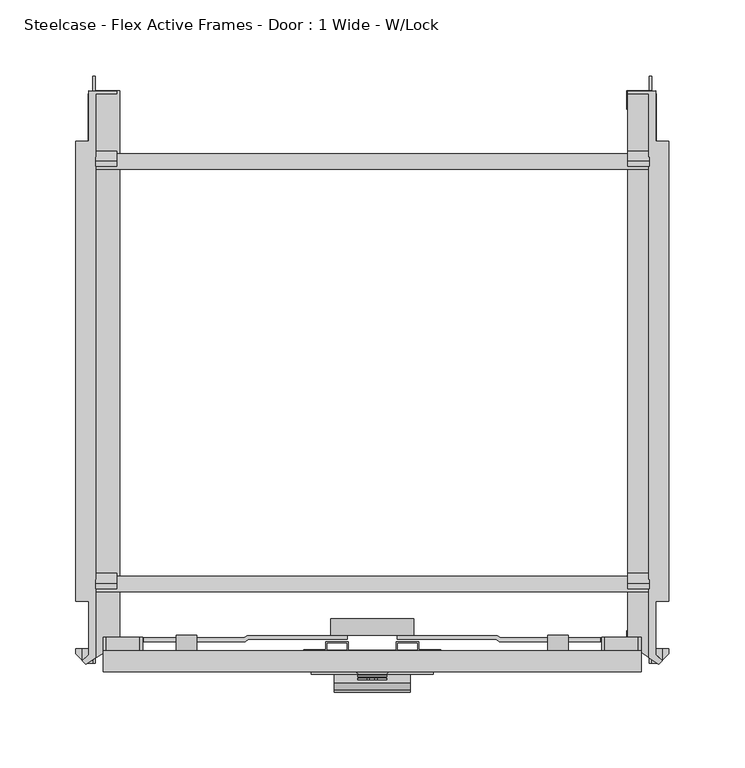
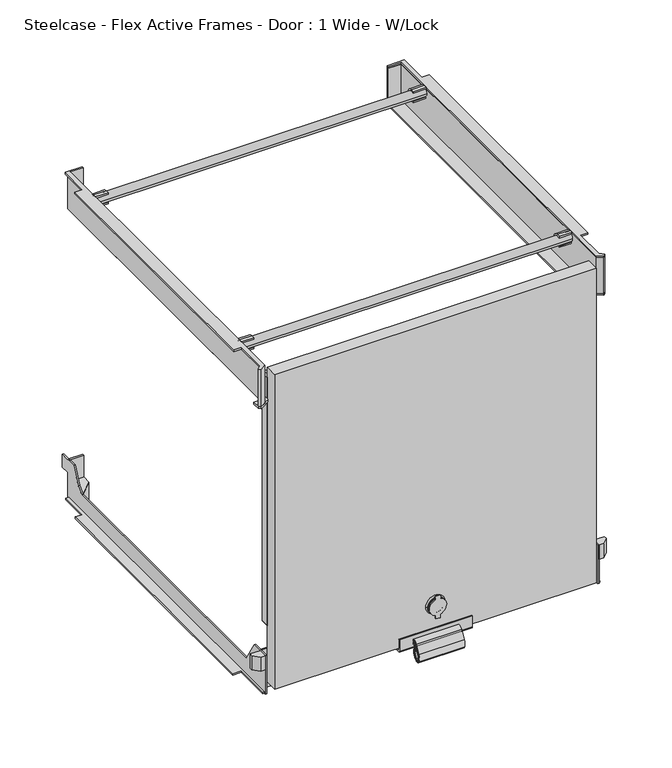
"""IFC4 building model written with IfcOpenShell, lengths in millimetres: furniture geometry, Steelcase - Flex Active Frames - Door : 1 Wide - W/Lock."""

from ifc_helpers import new_model, si_unit, point, frame, frame_2d, origin, place, context, project, spatial, polyline, circle_curve, trimmed, segment, composite_curve, outline, extrude, faceted_brep, source, transform, mapped, element, save
from ifc_brep_helpers import plane_surface, cylinder_surface, revolved_surface, advanced_brep


def steelcase_flex_active_frames_door_1_wide_w_lock_29fdb5b3(model_context):
    return source(origin(), model_context, "Body", "SolidModel", [
        extrude(outline(polyline([(377.0120167, -373.0157005), (377.0120167, -1.9704708), (363.0100613, -1.9704708), (363.0100613, -0.2946526), (379.0003159, -0.0162739), (379.0003159, -368.4618531), (385.7871593, -375.2153725), (383.4640363, -377.5448751), (377.0120167, -373.0157005)])), frame((0.0, 0.0, 345.9048069), z_axis=(0.0, 0.0, 1.0), x_axis=(1.0, 0.0, 0.0)), (0.0, 0.0, 1.0), 41.5000832),
        advanced_brep(
        [(204.5647181, -386.5060322, 53.4049524), (204.5647181, -387.4990083, 53.4049524), (197.2977717, -387.4990083, 44.1242374), (197.2977717, -386.5060322, 44.1242374), (185.4452456, -387.4990083, 53.4049524), (185.4452456, -386.5060322, 53.4049524), (192.7121919, -386.5060322, 44.1242374), (192.7121919, -387.4990083, 44.1242374), (197.9721385, -386.5060322, 62.492556), (197.9721385, -387.4990083, 62.492556), (192.0378251, -387.4990083, 62.492556), (192.0378251, -386.5060322, 62.492556), (186.5946609, -385.7012029, 53.4049524), (203.4153027, -385.7012029, 53.4049524), (185.526757, -385.7012029, 53.4049524), (204.4832066, -385.7012029, 53.4049524), (185.526757, -384.715218, 53.4049524), (204.4832066, -384.715218, 53.4049524), (187.4206526, -384.0258963, 53.4049524), (202.589311, -384.0258963, 53.4049524), (185.9463468, -384.0258963, 53.4049524), (204.0636169, -384.0258963, 53.4049524), (184.4465879, -382.5261375, 53.4049524), (205.5633757, -382.5261375, 53.4049524), (195.0049818, -382.5261375, 53.4049524), (198.1852988, -387.4990083, 62.6110523), (198.1852988, -387.4990083, 64.5755991), (196.6612988, -387.4990083, 66.0995991), (193.3486648, -387.4990083, 66.0995991), (191.8246648, -387.4990083, 64.5755991), (191.8246648, -387.4990083, 62.6110523), (192.6380738, -387.4990083, 43.8269662), (192.6380738, -387.4990083, 40.0258754), (197.3718898, -387.4990083, 40.0258754), (197.3718898, -387.4990083, 43.8269662), (191.8246648, -386.5060322, 62.6110523), (191.8246648, -386.5060322, 64.5755991), (193.3486648, -386.5060322, 66.0995991), (196.6612988, -386.5060322, 66.0995991), (198.1852988, -386.5060322, 64.5755991), (198.1852988, -386.5060322, 62.6110523), (197.3718898, -386.5060322, 43.8269662), (197.3718898, -386.5060322, 40.0258754), (192.6380738, -386.5060322, 40.0258754), (192.6380738, -386.5060322, 43.8269662)],
        [
            (0, 1),
            (1, 2, circle_curve(frame((195.0049818, -387.4990083, 53.4049524), z_axis=(0.0, 1.0, 0.0), x_axis=(1.0, 0.0, 0.0)), 9.5597363)),
            (2, 3),
            (3, 0, circle_curve(frame((195.0049818, -386.5060322, 53.4049524), z_axis=(0.0, -1.0, 0.0), x_axis=(1.0, 0.0, 0.0)), 9.5597363)),
            (4, 5),
            (5, 6, circle_curve(frame((195.0049818, -386.5060322, 53.4049524), z_axis=(0.0, -1.0, 0.0), x_axis=(1.0, 0.0, 0.0)), 9.5597363)),
            (6, 7),
            (7, 4, circle_curve(frame((195.0049818, -387.4990083, 53.4049524), z_axis=(0.0, 1.0, 0.0), x_axis=(1.0, 0.0, 0.0)), 9.5597363)),
            (0, 8, circle_curve(frame((195.0049818, -386.5060322, 53.4049524), z_axis=(0.0, -1.0, 0.0), x_axis=(1.0, 0.0, 0.0)), 9.5597363)),
            (8, 9),
            (9, 1, circle_curve(frame((195.0049818, -387.4990083, 53.4049524), z_axis=(0.0, 1.0, 0.0), x_axis=(1.0, 0.0, 0.0)), 9.5597363)),
            (4, 10, circle_curve(frame((195.0049818, -387.4990083, 53.4049524), z_axis=(0.0, 1.0, 0.0), x_axis=(1.0, 0.0, 0.0)), 9.5597363)),
            (10, 11),
            (11, 5, circle_curve(frame((195.0049818, -386.5060322, 53.4049524), z_axis=(0.0, -1.0, 0.0), x_axis=(1.0, 0.0, 0.0)), 9.5597363)),
            (12, 13, circle_curve(frame((195.0049818, -385.7012029, 53.4049524), z_axis=(0.0, -1.0, 0.0), x_axis=(1.0, 0.0, 0.0)), 8.4103209)),
            (13, 0),
            (3, 6, circle_curve(frame((195.0049818, -386.5060322, 53.4049524), z_axis=(0.0, 1.0, 0.0), x_axis=(1.0, 0.0, 0.0)), 9.5597363)),
            (5, 12),
            (13, 12, circle_curve(frame((195.0049818, -385.7012029, 53.4049524), z_axis=(0.0, -1.0, 0.0), x_axis=(1.0, 0.0, 0.0)), 8.4103209)),
            (11, 8, circle_curve(frame((195.0049818, -386.5060322, 53.4049524), z_axis=(0.0, 1.0, 0.0), x_axis=(1.0, 0.0, 0.0)), 9.5597363)),
            (12, 14),
            (14, 15, circle_curve(frame((195.0049818, -385.7012029, 53.4049524), z_axis=(0.0, -1.0, 0.0), x_axis=(1.0, 0.0, 0.0)), 9.4782248)),
            (15, 13),
            (15, 14, circle_curve(frame((195.0049818, -385.7012029, 53.4049524), z_axis=(0.0, -1.0, 0.0), x_axis=(1.0, 0.0, 0.0)), 9.4782248)),
            (14, 16),
            (16, 17, circle_curve(frame((195.0049818, -384.715218, 53.4049524), z_axis=(0.0, -1.0, 0.0), x_axis=(1.0, 0.0, 0.0)), 9.4782248)),
            (17, 15),
            (17, 16, circle_curve(frame((195.0049818, -384.715218, 53.4049524), z_axis=(0.0, -1.0, 0.0), x_axis=(1.0, 0.0, 0.0)), 9.4782248)),
            (16, 18),
            (18, 19, circle_curve(frame((195.0049818, -384.0258963, 53.4049524), z_axis=(0.0, -1.0, 0.0), x_axis=(1.0, 0.0, 0.0)), 7.5843292)),
            (19, 17),
            (19, 18, circle_curve(frame((195.0049818, -384.0258963, 53.4049524), z_axis=(0.0, -1.0, 0.0), x_axis=(1.0, 0.0, 0.0)), 7.5843292)),
            (18, 20),
            (20, 21, circle_curve(frame((195.0049818, -384.0258963, 53.4049524), z_axis=(0.0, -1.0, 0.0), x_axis=(1.0, 0.0, 0.0)), 9.0586351)),
            (21, 19),
            (21, 20, circle_curve(frame((195.0049818, -384.0258963, 53.4049524), z_axis=(0.0, -1.0, 0.0), x_axis=(1.0, 0.0, 0.0)), 9.0586351)),
            (20, 22),
            (22, 23, circle_curve(frame((195.0049818, -382.5261375, 53.4049524), z_axis=(0.0, -1.0, 0.0), x_axis=(1.0, 0.0, 0.0)), 10.5583939)),
            (23, 21),
            (23, 22, circle_curve(frame((195.0049818, -382.5261375, 53.4049524), z_axis=(0.0, -1.0, 0.0), x_axis=(1.0, 0.0, 0.0)), 10.5583939)),
            (22, 24),
            (24, 23),
            (25, 26),
            (26, 27, circle_curve(frame((196.6612988, -387.4990083, 64.5755991), z_axis=(0.0, -1.0, 0.0), x_axis=(1.0, 0.0, 0.0)), 1.524)),
            (27, 28),
            (28, 29, circle_curve(frame((193.3486648, -387.4990083, 64.5755991), z_axis=(0.0, -1.0, 0.0), x_axis=(1.0, 0.0, 0.0)), 1.524)),
            (29, 30),
            (30, 10),
            (7, 31),
            (31, 32),
            (32, 33),
            (33, 34),
            (34, 2),
            (9, 25),
            (35, 36),
            (36, 37, circle_curve(frame((193.3486648, -386.5060322, 64.5755991), z_axis=(0.0, 1.0, 0.0), x_axis=(1.0, 0.0, 0.0)), 1.524)),
            (37, 38),
            (38, 39, circle_curve(frame((196.6612988, -386.5060322, 64.5755991), z_axis=(0.0, 1.0, 0.0), x_axis=(1.0, 0.0, 0.0)), 1.524)),
            (39, 40),
            (40, 8),
            (11, 35),
            (41, 42),
            (42, 43),
            (43, 44),
            (44, 6),
            (3, 41),
            (30, 35),
            (44, 31),
            (43, 32),
            (42, 33),
            (41, 34),
            (40, 25),
            (39, 26),
            (38, 27),
            (37, 28),
            (36, 29),
        ],
        [
            cylinder_surface(frame((195.0049818, -363.4761375, 53.4049524), z_axis=(0.0, 1.0, 0.0), x_axis=(1.0, 0.0, 0.0)), 9.5597363),
            revolved_surface(polyline([(204.5647181, -386.5060322, 53.4049524), (203.4153027, -385.7012029, 53.4049524)]), (195.0049818, -363.4761375, 53.4049524), (0.0, 1.0, 0.0)),
            plane_surface(frame((195.0049818, -385.7012029, 53.4049524), z_axis=(0.0, -1.0, 0.0), x_axis=(1.0, 0.0, 0.0))),
            cylinder_surface(frame((195.0049818, -363.4761375, 53.4049524), z_axis=(0.0, 1.0, 0.0), x_axis=(1.0, 0.0, 0.0)), 9.4782248),
            revolved_surface(polyline([(204.4832066, -384.715218, 53.4049524), (202.589311, -384.0258963, 53.4049524)]), (195.0049818, -363.4761375, 53.4049524), (0.0, 1.0, 0.0)),
            plane_surface(frame((195.0049818, -384.0258963, 53.4049524), z_axis=(0.0, -1.0, 0.0), x_axis=(1.0, 0.0, 0.0))),
            revolved_surface(polyline([(204.0636169, -384.0258963, 53.4049524), (205.5633757, -382.5261375, 53.4049524)]), (195.0049818, -363.4761375, 53.4049524), (0.0, 1.0, 0.0)),
            plane_surface(frame((195.0049818, -382.5261375, 53.4049524), z_axis=(0.0, 1.0, 0.0), x_axis=(1.0, 0.0, 0.0))),
            plane_surface(frame((195.0049818, -387.4990083, 53.4049524), z_axis=(0.0, -1.0, 0.0), x_axis=(1.0, 0.0, 0.0))),
            plane_surface(frame((191.8246648, -386.5060322, 62.6110523), z_axis=(0.0, 1.0, 0.0), x_axis=(-0.8740285702770072, 0.0, 0.4858745294204366))),
            plane_surface(frame((191.8246648, -387.4990083, 62.6110523), z_axis=(-0.4858745294204366, 0.0, -0.8740285702770072), x_axis=(0.0, 1.0, 0.0))),
            plane_surface(frame((193.3974976, -387.4990083, 46.8728484), z_axis=(-0.9702957262759957, 0.0, 0.24192189559967098), x_axis=(0.0, 1.0, 0.0))),
            plane_surface(frame((192.6380738, -387.4990083, 43.8269662), z_axis=(-1.0, 0.0, 0.0), x_axis=(0.0, 1.0, 0.0))),
            plane_surface(frame((192.6380738, -387.4990083, 40.0258754), z_axis=(0.0, 0.0, -1.0), x_axis=(0.0, 1.0, 0.0))),
            plane_surface(frame((197.3718898, -387.4990083, 40.0258754), z_axis=(1.0, 0.0, 0.0), x_axis=(0.0, 1.0, 0.0))),
            plane_surface(frame((197.3718898, -387.4990083, 43.8269662), z_axis=(0.9702957262759965, 0.0, 0.24192189559966779), x_axis=(0.0, 1.0, 0.0))),
            plane_surface(frame((197.3598095, -387.4990083, 62.1521609), z_axis=(0.4858745294204366, 0.0, -0.8740285702770072), x_axis=(0.0, 1.0, 0.0))),
            plane_surface(frame((198.1852988, -387.4990083, 62.6110523), z_axis=(1.0, 0.0, 0.0), x_axis=(0.0, 1.0, 0.0))),
            cylinder_surface(frame((196.6612988, -386.5060322, 64.5755991), z_axis=(0.0, -1.0, 0.0), x_axis=(1.0, 0.0, 0.0)), 1.524),
            plane_surface(frame((196.6612988, -387.4990083, 66.0995991), z_axis=(0.0, 0.0, 1.0), x_axis=(0.0, 1.0, 0.0))),
            cylinder_surface(frame((193.3486648, -386.5060322, 64.5755991), z_axis=(0.0, -1.0, 0.0), x_axis=(1.0, 0.0, 0.0)), 1.524),
            plane_surface(frame((191.8246648, -387.4990083, 64.5755991), z_axis=(-1.0, 0.0, 0.0), x_axis=(0.0, 1.0, 0.0))),
        ],
        [
            (0, [[1, 2, 3, 4]]),
            (0, [[5, 6, 7, 8]]),
            (0, [[-1, 9, 10, 11]]),
            (0, [[-5, 12, 13, 14]]),
            (1, [[15, 16, -4, 17, -6, 18]]),
            (1, [[-16, 19, -18, -14, 20, -9]]),
            (2, [[-15, 21, 22, 23]]),
            (2, [[-19, -23, 24, -21]]),
            (3, [[-22, 25, 26, 27]]),
            (3, [[-24, -27, 28, -25]]),
            (4, [[-26, 29, 30, 31]]),
            (4, [[-28, -31, 32, -29]]),
            (5, [[-30, 33, 34, 35]]),
            (5, [[-32, -35, 36, -33]]),
            (6, [[-34, 37, 38, 39]]),
            (6, [[-36, -39, 40, -37]]),
            (7, [[-38, 41, 42]]),
            (7, [[-40, -42, -41]]),
            (8, [[43, 44, 45, 46, 47, 48, -12, -8, 49, 50, 51, 52, 53, -2, -11, 54]]),
            (9, [[55, 56, 57, 58, 59, 60, -20, 61]]),
            (9, [[62, 63, 64, 65, -17, 66]]),
            (10, [[67, -61, -13, -48]]),
            (11, [[68, -49, -7, -65]]),
            (12, [[-50, -68, -64, 69]]),
            (13, [[-51, -69, -63, 70]]),
            (14, [[-52, -70, -62, 71]]),
            (15, [[-71, -66, -3, -53]]),
            (16, [[72, -54, -10, -60]]),
            (17, [[-43, -72, -59, 73]]),
            (18, [[-44, -73, -58, 74]]),
            (19, [[-45, -74, -57, 75]]),
            (20, [[-46, -75, -56, 76]]),
            (21, [[-47, -76, -55, -67]]),
        ],
    ),
        extrude(outline(composite_curve([segment(polyline([(-394.5053212, 10.4032894), (-389.4788354, 19.5558073)]), True, "CONTINUOUS"), segment(trimmed(circle_curve(frame_2d((-384.936598, 17.0612488)), 5.1821562), [point((-389.4788354, 19.5558073))], [point((-384.0258963, 22.1627549))], False, "CARTESIAN"), True, "CONTINUOUS"), segment(polyline([(-384.0258963, 22.1627549), (-384.0258963, 21.3436146)]), True, "CONTINUOUS"), segment(trimmed(circle_curve(frame_2d((-385.1798575, 16.9863859)), 4.507446), [point((-384.0258963, 21.3436146))], [point((-389.1307013, 19.156156))], True, "CARTESIAN"), True, "CONTINUOUS"), segment(polyline([(-389.1307013, 19.156156), (-394.0692316, 10.1637927)]), True, "CONTINUOUS"), segment(trimmed(circle_curve(frame_2d((-386.2818738, 5.8870413)), 8.8844552), [point((-394.0692316, 10.1637927))], [point((-394.5968885, 2.7574926))], True, "CARTESIAN"), True, "CONTINUOUS"), segment(trimmed(circle_curve(frame_2d((-391.3251773, 3.988877)), 3.4957691), [point((-394.5968885, 2.7574926))], [point((-388.7326498, 1.643839))], True, "CARTESIAN"), True, "CONTINUOUS"), segment(trimmed(circle_curve(frame_2d((-399.4761611, 11.3617468)), 14.486572), [point((-388.7326498, 1.643839))], [point((-385.1577798, 9.1606733))], True, "CARTESIAN"), True, "CONTINUOUS"), segment(trimmed(circle_curve(frame_2d((-387.6682901, 9.546598)), 2.54), [point((-385.1577798, 9.1606733))], [point((-385.3170952, 10.507578))], True, "CARTESIAN"), True, "CONTINUOUS"), segment(trimmed(circle_curve(frame_2d((-376.2025969, 14.2328539)), 9.8464085), [point((-385.3170952, 10.507578))], [point((-385.7925384, 16.4655163))], False, "CARTESIAN"), True, "CONTINUOUS"), segment(trimmed(circle_curve(frame_2d((-384.508257, 16.166519)), 1.3186274), [point((-385.7925384, 16.4655163))], [point((-384.0258963, 17.3937542))], False, "CARTESIAN"), True, "CONTINUOUS"), segment(polyline([(-384.0258963, 17.3937542), (-384.0258963, 16.6121672)]), True, "CONTINUOUS"), segment(trimmed(circle_curve(frame_2d((-384.6064956, 16.1935716)), 0.7157638), [point((-384.0258963, 16.6121672))], [point((-385.3045283, 16.3519012))], True, "CARTESIAN"), True, "CONTINUOUS"), segment(trimmed(circle_curve(frame_2d((-375.8143378, 14.1993116)), 9.7312567), [point((-385.3045283, 16.3519012))], [point((-384.8047536, 10.4750963))], True, "CARTESIAN"), True, "CONTINUOUS"), segment(trimmed(circle_curve(frame_2d((-387.1513834, 9.5030217)), 2.54), [point((-384.8047536, 10.4750963))], [point((-384.6300651, 9.1955248))], False, "CARTESIAN"), True, "CONTINUOUS"), segment(trimmed(circle_curve(frame_2d((-398.2733257, 10.8594403)), 13.7443506), [point((-384.6300651, 9.1955248))], [point((-388.5654138, 1.1299171))], False, "CARTESIAN"), True, "CONTINUOUS"), segment(trimmed(circle_curve(frame_2d((-391.3447502, 3.9154407)), 3.9349526), [point((-388.5654138, 1.1299171))], [point((-395.003667, 2.4676217))], False, "CARTESIAN"), True, "CONTINUOUS"), segment(trimmed(circle_curve(frame_2d((-386.315486, 5.9055009)), 9.3436343), [point((-395.003667, 2.4676217))], [point((-394.5053212, 10.4032894))], False, "CARTESIAN"), True, "CONTINUOUS")], self_intersect=False)), frame((170.0208963, 0.0, 0.0), z_axis=(1.0, 0.0, 0.0), x_axis=(0.0, 1.0, 0.0)), (0.0, 0.0, 1.0), 49.9681709),
        extrude(outline(composite_curve([segment(polyline([(-393.2348137, 9.6697586), (-388.5001978, 18.5229973)]), True, "CONTINUOUS"), segment(trimmed(circle_curve(frame_2d((-384.6800166, 16.4800059)), 4.3321586), [point((-388.5001978, 18.5229973))], [point((-384.0258963, 20.7624963))], False, "CARTESIAN"), True, "CONTINUOUS"), segment(polyline([(-384.0258963, 20.7624963), (-384.0258963, 19.9610297)]), True, "CONTINUOUS"), segment(trimmed(circle_curve(frame_2d((-384.9916473, 16.585016)), 3.5114303), [point((-384.0258963, 19.9610297))], [point((-388.0880944, 18.2409623))], True, "CARTESIAN"), True, "CONTINUOUS"), segment(polyline([(-388.0880944, 18.2409623), (-392.7970743, 9.4356603)]), True, "CONTINUOUS"), segment(trimmed(circle_curve(frame_2d((-385.9017131, 5.748096)), 7.8194716), [point((-392.7970743, 9.4356603))], [point((-393.4843715, 3.8382718))], True, "CARTESIAN"), True, "CONTINUOUS"), segment(trimmed(circle_curve(frame_2d((-391.2381454, 4.4040229)), 2.3163777), [point((-393.4843715, 3.8382718))], [point((-389.4681109, 2.9098396))], True, "CARTESIAN"), True, "CONTINUOUS"), segment(trimmed(circle_curve(frame_2d((-399.1697978, 11.0995661)), 12.6962336), [point((-389.4681109, 2.9098396))], [point((-386.6211818, 9.1691299))], True, "CARTESIAN"), True, "CONTINUOUS"), segment(trimmed(circle_curve(frame_2d((-389.1316495, 9.5553317)), 2.54), [point((-386.6211818, 9.1691299))], [point((-386.7724973, 10.4966077))], True, "CARTESIAN"), True, "CONTINUOUS"), segment(trimmed(circle_curve(frame_2d((-377.3543286, 14.2543545)), 10.140146), [point((-386.7724973, 10.4966077))], [point((-387.1782369, 16.7669998))], False, "CARTESIAN"), True, "CONTINUOUS"), segment(trimmed(circle_curve(frame_2d((-384.5224201, 16.0877258)), 2.7413092), [point((-387.1782369, 16.7669998))], [point((-384.0258963, 18.7836932))], False, "CARTESIAN"), True, "CONTINUOUS"), segment(polyline([(-384.0258963, 18.7836932), (-384.0258963, 17.9896732)]), True, "CONTINUOUS"), segment(trimmed(circle_curve(frame_2d((-384.7842725, 16.1801113)), 1.9620521), [point((-384.0258963, 17.9896732))], [point((-386.6910856, 16.6424019))], True, "CARTESIAN"), True, "CONTINUOUS"), segment(trimmed(circle_curve(frame_2d((-376.7668809, 14.2363631)), 10.2117022), [point((-386.6910856, 16.6424019))], [point((-386.2669949, 10.4911401))], True, "CARTESIAN"), True, "CONTINUOUS"), segment(trimmed(circle_curve(frame_2d((-388.6299985, 9.5595749)), 2.54), [point((-386.2669949, 10.4911401))], [point((-386.1182341, 9.1818983))], False, "CARTESIAN"), True, "CONTINUOUS"), segment(trimmed(circle_curve(frame_2d((-399.1577456, 11.1425591)), 13.186093), [point((-386.1182341, 9.1818983))], [point((-389.2466987, 2.4451917))], False, "CARTESIAN"), True, "CONTINUOUS"), segment(trimmed(circle_curve(frame_2d((-391.2779315, 4.2276853)), 2.7024415), [point((-389.2466987, 2.4451917))], [point((-393.8696232, 3.4619671))], False, "CARTESIAN"), True, "CONTINUOUS"), segment(trimmed(circle_curve(frame_2d((-385.9836158, 5.7918967)), 8.2229973), [point((-393.8696232, 3.4619671))], [point((-393.2348137, 9.6697586))], False, "CARTESIAN"), True, "CONTINUOUS")], self_intersect=False)), frame((170.0208963, 0.0, 0.0), z_axis=(1.0, 0.0, 0.0), x_axis=(0.0, 1.0, 0.0)), (0.0, 0.0, 1.0), 49.9681709),
        extrude(outline(composite_curve([segment(polyline([(-368.0264793, 11.7171627), (-381.9938963, 11.7171627)]), True, "CONTINUOUS"), segment(trimmed(circle_curve(frame_2d((-381.9938963, 13.7491627)), 2.032), [point((-381.9938963, 11.7171627))], [point((-384.0258963, 13.7491627))], False, "CARTESIAN"), True, "CONTINUOUS"), segment(polyline([(-384.0258963, 13.7491627), (-384.0258963, 26.6993151), (-382.5209343, 26.6993151), (-382.5209343, 14.3428212)]), True, "CONTINUOUS"), segment(trimmed(circle_curve(frame_2d((-381.2509343, 14.3428212)), 1.27), [point((-382.5209343, 14.3428212))], [point((-381.2509343, 13.0728212))], True, "CARTESIAN"), True, "CONTINUOUS"), segment(polyline([(-381.2509343, 13.0728212), (-368.0264793, 13.0728212), (-368.0264793, 11.7171627)]), True, "CONTINUOUS")], self_intersect=False)), frame((154.9995022, 0.0, 0.0), z_axis=(1.0, 0.0, 0.0), x_axis=(0.0, 1.0, 0.0)), (0.0, 0.0, 1.0), 80.0109592),
        extrude(outline(composite_curve([segment(trimmed(circle_curve(frame_2d((53.4049524, 195.000016)), 27.432), [point((53.4049524, 167.568016))], [point((53.4049524, 222.432016))], False, "CARTESIAN"), True, "CONTINUOUS"), segment(trimmed(circle_curve(frame_2d((53.4049524, 195.000016)), 27.432), [point((53.4049524, 222.432016))], [point((53.4049524, 167.568016))], False, "CARTESIAN"), True, "CONTINUOUS")], self_intersect=False)), frame((0.0, -358.2604492, 0.0), z_axis=(0.0, 1.0, 0.0), x_axis=(0.0, 0.0, 1.0)), (0.0, 0.0, 1.0), 10.8583257),
        extrude(outline(polyline([(79.5158829, -362.5062706), (79.5158829, -360.0062596), (110.5835844, -360.0062596), (112.6258532, -358.5062664), (178.6043598, -358.5062664), (178.6043598, -361.006247), (113.445268, -361.006247), (111.402958, -362.5062706), (79.5158829, -362.5062706)])), frame((0.0, 0.0, 47.091239), z_axis=(0.0, 0.0, 1.0), x_axis=(1.0, 0.0, 0.0)), (0.0, 0.0, 1.0), 12.5687958),
        extrude(outline(polyline([(310.4940807, -362.5062706), (278.6070056, -362.5062706), (276.5646956, -361.006247), (211.4056038, -361.006247), (211.4056038, -358.5062664), (277.3841105, -358.5062664), (279.4263792, -360.0062596), (310.4940807, -360.0062596), (310.4940807, -362.5062706)])), frame((0.0, 0.0, 47.091239), z_axis=(0.0, 0.0, 1.0), x_axis=(1.0, 0.0, 0.0)), (0.0, 0.0, 1.0), 12.5687958),
        extrude(outline(composite_curve([segment(polyline([(47.1600332, 66.002076), (59.659997, 66.002076), (59.659997, 44.5899139)]), True, "CONTINUOUS"), segment(trimmed(circle_curve(frame_2d((53.4100151, 44.5899139)), 6.2499819), [point((59.659997, 44.5899139))], [point((47.1600332, 44.5899139))], False, "CARTESIAN"), True, "CONTINUOUS"), segment(polyline([(47.1600332, 44.5899139), (47.1600332, 66.002076)]), True, "CONTINUOUS")], self_intersect=False)), frame((0.0, -362.5135073, 0.0), z_axis=(0.0, 1.0, 0.0), x_axis=(0.0, 0.0, 1.0)), (0.0, 0.0, 1.0), 2.5072627),
        extrude(outline(composite_curve([segment(polyline([(47.1600332, 324.0078876), (47.1600332, 345.4200497)]), True, "CONTINUOUS"), segment(trimmed(circle_curve(frame_2d((53.4100151, 345.4200497)), 6.2499819), [point((47.1600332, 345.4200497))], [point((59.659997, 345.4200497))], False, "CARTESIAN"), True, "CONTINUOUS"), segment(polyline([(59.659997, 345.4200497), (59.659997, 324.0078876), (47.1600332, 324.0078876)]), True, "CONTINUOUS")], self_intersect=False)), frame((0.0, -362.5135073, 0.0), z_axis=(0.0, 1.0, 0.0), x_axis=(0.0, 0.0, 1.0)), (0.0, 0.0, 1.0), 2.5072627),
        extrude(outline(composite_curve([segment(trimmed(circle_curve(frame_2d((39.4663531, 72.7589794)), 6.7569035), [point((39.4663531, 66.002076))], [point((39.4663531, 79.5158829))], False, "CARTESIAN"), True, "CONTINUOUS"), segment(polyline([(39.4663531, 79.5158829), (67.2893278, 79.5158829)]), True, "CONTINUOUS"), segment(trimmed(circle_curve(frame_2d((67.2893278, 72.7589794)), 6.7569035), [point((67.2893278, 79.5158829))], [point((67.2893278, 66.002076))], False, "CARTESIAN"), True, "CONTINUOUS"), segment(polyline([(67.2893278, 66.002076), (39.4663531, 66.002076)]), True, "CONTINUOUS")], self_intersect=False)), frame((0.0, -368.5066341, 0.0), z_axis=(0.0, 1.0, 0.0), x_axis=(0.0, 0.0, 1.0)), (0.0, 0.0, 1.0), 10.2464282),
        extrude(outline(composite_curve([segment(polyline([(39.4663531, 324.0078876), (67.2893278, 324.0078876)]), True, "CONTINUOUS"), segment(trimmed(circle_curve(frame_2d((67.2893278, 317.2509842)), 6.7569035), [point((67.2893278, 324.0078876))], [point((67.2893278, 310.4940807))], False, "CARTESIAN"), True, "CONTINUOUS"), segment(polyline([(67.2893278, 310.4940807), (39.4663531, 310.4940807)]), True, "CONTINUOUS"), segment(trimmed(circle_curve(frame_2d((39.4663531, 317.2509842)), 6.7569035), [point((39.4663531, 310.4940807))], [point((39.4663531, 324.0078876))], False, "CARTESIAN"), True, "CONTINUOUS")], self_intersect=False)), frame((0.0, -368.5066341, 0.0), z_axis=(0.0, 1.0, 0.0), x_axis=(0.0, 0.0, 1.0)), (0.0, 0.0, 1.0), 10.2464282),
        extrude(outline(polyline([(179.3390533, -373.7584846), (210.6709103, -373.7584846), (210.6709103, -362.5135073), (225.6507117, -362.5135073), (225.6507117, -367.7130567), (240.0959068, -367.7130567), (240.0959068, -368.5002664), (224.900709, -368.5002664), (224.900709, -363.2635099), (211.4209129, -363.2635099), (211.4209129, -374.5084873), (178.5890507, -374.5084873), (178.5890507, -363.2635099), (165.1092547, -363.2635099), (165.1092547, -368.5002664), (149.9140568, -368.5002664), (149.9140568, -367.7130567), (164.3592519, -367.7130567), (164.3592519, -362.5135073), (179.3390533, -362.5135073), (179.3390533, -373.7584846)])), frame((0.0, 0.0, 31.2417849), z_axis=(0.0, 0.0, 1.0), x_axis=(1.0, 0.0, 0.0)), (0.0, 0.0, 1.0), 44.3884583),
        extrude(outline(composite_curve([segment(polyline([(-46.5254063, 387.4651093), (-49.8140863, 387.4651093), (-49.8140863, 389.3429016), (-46.0133736, 389.3429016)]), True, "CONTINUOUS"), segment(trimmed(circle_curve(frame_2d((-46.0133736, 382.9938948)), 6.3490068), [point((-46.0133736, 389.3429016))], [point((-46.0133736, 376.6448879))], False, "CARTESIAN"), True, "CONTINUOUS"), segment(polyline([(-46.0133736, 376.6448879), (-49.8140863, 376.6448879), (-49.8140863, 378.2206396), (-46.5254063, 378.2206396)]), True, "CONTINUOUS"), segment(trimmed(circle_curve(frame_2d((-46.5254063, 382.8428744)), 4.6222348), [point((-46.5254063, 378.2206396))], [point((-46.5254063, 387.4651093))], True, "CARTESIAN"), True, "CONTINUOUS")], self_intersect=False)), frame((363.0101097, 0.0, 0.0), z_axis=(1.0, 0.0, 0.0), x_axis=(0.0, 1.0, 0.0)), (0.0, 0.0, 1.0), 14.2519757),
        extrude(outline(composite_curve([segment(polyline([(-324.5158504, 387.4651093), (-327.8045305, 387.4651093), (-327.8045305, 389.3429016), (-324.0038177, 389.3429016)]), True, "CONTINUOUS"), segment(trimmed(circle_curve(frame_2d((-324.0038177, 382.9938948)), 6.3490068), [point((-324.0038177, 389.3429016))], [point((-324.0038177, 376.6448879))], False, "CARTESIAN"), True, "CONTINUOUS"), segment(polyline([(-324.0038177, 376.6448879), (-327.8045305, 376.6448879), (-327.8045305, 378.2206396), (-324.5158504, 378.2206396)]), True, "CONTINUOUS"), segment(trimmed(circle_curve(frame_2d((-324.5158504, 382.8428744)), 4.6222348), [point((-324.5158504, 378.2206396))], [point((-324.5158504, 387.4651093))], True, "CARTESIAN"), True, "CONTINUOUS")], self_intersect=False)), frame((363.0101097, 0.0, 0.0), z_axis=(1.0, 0.0, 0.0), x_axis=(0.0, 1.0, 0.0)), (0.0, 0.0, 1.0), 14.2519757),
        extrude(outline(composite_curve([segment(polyline([(-46.5254063, 387.4651093), (-49.8140863, 387.4651093), (-49.8140863, 389.3429016), (-46.0133736, 389.3429016)]), True, "CONTINUOUS"), segment(trimmed(circle_curve(frame_2d((-46.0133736, 382.9938948)), 6.3490068), [point((-46.0133736, 389.3429016))], [point((-46.0133736, 376.6448879))], False, "CARTESIAN"), True, "CONTINUOUS"), segment(polyline([(-46.0133736, 376.6448879), (-49.8140863, 376.6448879), (-49.8140863, 378.2206396), (-46.5254063, 378.2206396)]), True, "CONTINUOUS"), segment(trimmed(circle_curve(frame_2d((-46.5254063, 382.8428744)), 4.6222348), [point((-46.5254063, 378.2206396))], [point((-46.5254063, 387.4651093))], True, "CARTESIAN"), True, "CONTINUOUS")], self_intersect=False)), frame((12.9903408, 0.0, 0.0), z_axis=(1.0, 0.0, 0.0), x_axis=(0.0, 1.0, 0.0)), (0.0, 0.0, 1.0), 13.8328281),
        extrude(outline(composite_curve([segment(polyline([(-324.5158504, 387.4651093), (-327.8045305, 387.4651093), (-327.8045305, 389.3429016), (-324.0038177, 389.3429016)]), True, "CONTINUOUS"), segment(trimmed(circle_curve(frame_2d((-324.0038177, 382.9938948)), 6.3490068), [point((-324.0038177, 389.3429016))], [point((-324.0038177, 376.6448879))], False, "CARTESIAN"), True, "CONTINUOUS"), segment(polyline([(-324.0038177, 376.6448879), (-327.8045305, 376.6448879), (-327.8045305, 378.2206396), (-324.5158504, 378.2206396)]), True, "CONTINUOUS"), segment(trimmed(circle_curve(frame_2d((-324.5158504, 382.8428744)), 4.6222348), [point((-324.5158504, 378.2206396))], [point((-324.5158504, 387.4651093))], True, "CARTESIAN"), True, "CONTINUOUS")], self_intersect=False)), frame((12.9903408, 0.0, 0.0), z_axis=(1.0, 0.0, 0.0), x_axis=(0.0, 1.0, 0.0)), (0.0, 0.0, 1.0), 13.8328281),
        extrude(outline(composite_curve([segment(trimmed(circle_curve(frame_2d((-46.5730255, 382.9048744)), 5.0417269), [point((-51.6147524, 382.9048744))], [point((-41.5312986, 382.9048744))], False, "CARTESIAN"), True, "CONTINUOUS"), segment(trimmed(circle_curve(frame_2d((-46.5730255, 382.9048744)), 5.0417269), [point((-41.5312986, 382.9048744))], [point((-51.6147524, 382.9048744))], False, "CARTESIAN"), True, "CONTINUOUS")], self_intersect=False)), frame((12.9979469, 0.0, 0.0), z_axis=(1.0, 0.0, 0.0), x_axis=(0.0, 1.0, 0.0)), (0.0, 0.0, 1.0), 364.0140697),
        extrude(outline(composite_curve([segment(trimmed(circle_curve(frame_2d((-324.5634697, 382.9048744)), 5.0417269), [point((-329.6051966, 382.9048744))], [point((-319.5217428, 382.9048744))], False, "CARTESIAN"), True, "CONTINUOUS"), segment(trimmed(circle_curve(frame_2d((-324.5634697, 382.9048744)), 5.0417269), [point((-319.5217428, 382.9048744))], [point((-329.6051966, 382.9048744))], False, "CARTESIAN"), True, "CONTINUOUS")], self_intersect=False)), frame((12.9979469, 0.0, 0.0), z_axis=(1.0, 0.0, 0.0), x_axis=(0.0, 1.0, 0.0)), (0.0, 0.0, 1.0), 364.0140697),
        extrude(outline(polyline([(0.0078094, -367.26628), (11.0099869, -367.26628), (11.0099869, -376.6280043), (6.0092747, -376.6280043), (0.0078094, -370.59252), (0.0078094, -367.26628)])), frame((0.0, 0.0, 37.9007596), z_axis=(0.0, 0.0, 1.0), x_axis=(1.0, 0.0, 0.0)), (0.0, 0.0, 1.0), 16.5825934),
        extrude(outline(polyline([(390.0099636, -367.26628), (390.0099636, -370.5843343), (384.0006889, -376.6280043), (378.9999767, -376.6280043), (378.9999767, -367.26628), (390.0099636, -367.26628)])), frame((0.0, 0.0, 37.9007596), z_axis=(0.0, 0.0, 1.0), x_axis=(1.0, 0.0, 0.0)), (0.0, 0.0, 1.0), 16.5825934),
        extrude(outline(polyline([(-11.7529543, 54.5088965), (9.7338051, 54.4672422), (9.7254723, 39.5237745), (0.0, 39.504953), (0.0, 9.5006071), (-376.6280285, 9.5006071), (-376.6280285, 54.4842854), (-356.1653725, 54.4842854), (-340.412346, 29.4859909), (-27.1233444, 29.4859909), (-20.3413456, 36.2392366), (-11.7529543, 54.5088965)])), frame((377.4169338, 0.0, 0.0), z_axis=(1.0, 0.0, 0.0), x_axis=(0.0, 1.0, 0.0)), (0.0, 0.0, 1.0), 1.583382),
        extrude(outline(polyline([(0.0, -334.1044128), (0.0, -33.4312927), (8.0401585, -33.4312927), (8.0401585, -2.0431408), (11.0099869, -2.0431408), (11.0099869, -375.1613544), (9.5184597, -375.1613544), (9.5184597, -334.1044128), (0.0, -334.1044128)])), frame((0.0, 0.0, 9.5006313), z_axis=(0.0, 0.0, 1.0), x_axis=(1.0, 0.0, 0.0)), (0.0, 0.0, 1.0), 1.9796757),
        extrude(outline(polyline([(390.0099636, -334.1044128), (380.4915039, -334.1044128), (380.4915039, -375.1613544), (378.9999767, -375.1613544), (378.9999767, -2.0431408), (381.9698051, -2.0431408), (381.9698051, -33.4312927), (390.0099636, -33.4312927), (390.0099636, -334.1044128)])), frame((0.0, 0.0, 9.5006313), z_axis=(0.0, 0.0, 1.0), x_axis=(1.0, 0.0, 0.0)), (0.0, 0.0, 1.0), 1.9796757),
        extrude(outline(polyline([(12.5930298, -365.4925648), (27.5930347, -365.4925648), (27.5930347, -367.2662453), (12.5930298, -367.2662453), (12.5930298, -365.4925648)])), frame((0.0, 0.0, 9.5006313), z_axis=(0.0, 0.0, 1.0), x_axis=(1.0, 0.0, 0.0)), (0.0, 0.0, 1.0), 45.1789778),
        extrude(outline(polyline([(12.5930298, 0.0), (27.5930347, 0.0), (27.5930347, -2.0431408), (12.5930298, -2.0431408), (12.5930298, 0.0)])), frame((0.0, 0.0, 9.5006313), z_axis=(0.0, 0.0, 1.0), x_axis=(1.0, 0.0, 0.0)), (0.0, 0.0, 1.0), 45.1789778),
        extrude(outline(polyline([(377.4169338, -365.4925648), (377.4169338, -367.2662453), (362.4169289, -367.2662453), (362.4169289, -365.4925648), (377.4169338, -365.4925648)])), frame((0.0, 0.0, 9.5006313), z_axis=(0.0, 0.0, 1.0), x_axis=(1.0, 0.0, 0.0)), (0.0, 0.0, 1.0), 45.1789778),
        extrude(outline(polyline([(377.4169338, 0.0), (377.4169338, -2.0431408), (362.4169289, -2.0431408), (362.4169289, 0.0), (377.4169338, 0.0)])), frame((0.0, 0.0, 9.5006313), z_axis=(0.0, 0.0, 1.0), x_axis=(1.0, 0.0, 0.0)), (0.0, 0.0, 1.0), 45.1789778),
        extrude(outline(polyline([(12.5930298, -340.412349), (27.5930347, -355.3825593), (27.5930347, -365.4925648), (12.5930298, -365.4925648), (12.5930298, -340.412349)])), frame((0.0, 0.0, 9.5006313), z_axis=(0.0, 0.0, 1.0), x_axis=(1.0, 0.0, 0.0)), (0.0, 0.0, 1.0), 19.9853596),
        extrude(outline(polyline([(12.5930298, -2.0431408), (27.5930347, -2.0431408), (27.5930347, -12.1531342), (12.5930298, -27.1233444), (12.5930298, -2.0431408)])), frame((0.0, 0.0, 9.5006313), z_axis=(0.0, 0.0, 1.0), x_axis=(1.0, 0.0, 0.0)), (0.0, 0.0, 1.0), 19.9853596),
        extrude(outline(polyline([(377.4169338, -340.412349), (377.4169338, -365.4925648), (362.4169289, -365.4925648), (362.4169289, -355.3825593), (377.4169338, -340.412349)])), frame((0.0, 0.0, 9.5006313), z_axis=(0.0, 0.0, 1.0), x_axis=(1.0, 0.0, 0.0)), (0.0, 0.0, 1.0), 19.9853596),
        extrude(outline(polyline([(377.4169338, -2.0431408), (377.4169338, -27.1233444), (362.4169289, -12.1531342), (362.4169289, -2.0431408), (377.4169338, -2.0431408)])), frame((0.0, 0.0, 9.5006313), z_axis=(0.0, 0.0, 1.0), x_axis=(1.0, 0.0, 0.0)), (0.0, 0.0, 1.0), 19.9853596),
        extrude(outline(polyline([(-11.7529543, 54.5088965), (9.7338051, 54.4672422), (9.7254723, 39.5237745), (0.0, 39.504953), (0.0, 9.5006071), (-376.6280285, 9.5006071), (-376.6280285, 54.4842854), (-356.1653725, 54.4842854), (-340.412346, 29.4859909), (-27.1233444, 29.4859909), (-20.3413456, 36.2392366), (-11.7529543, 54.5088965)])), frame((11.0099869, 0.0, 0.0), z_axis=(1.0, 0.0, 0.0), x_axis=(0.0, 1.0, 0.0)), (0.0, 0.0, 1.0), 1.5830429),
        advanced_brep(
        [(383.4640518, -377.544886, 345.9048069), (385.7871109, -375.2152756, 345.9048069), (385.7871109, -367.1259438, 345.9048069), (379.0003159, -367.022171, 345.9048069), (379.0003159, -0.028196, 345.9048069), (363.0101097, -0.028196, 345.9048069), (363.0101097, -359.5146397, 345.9048069), (371.9990475, -359.5146397, 345.9048069), (371.9990475, -368.7578754, 345.9048069), (370.988403, -368.7578754, 345.9048069), (363.0101097, -0.028196, 343.6670199), (379.0003159, -0.028196, 343.6670199), (379.0003159, -367.022171, 343.6670199), (385.7871109, -367.1259438, 343.6670199), (385.7871109, -375.2152756, 343.6670199), (383.4640518, -377.544886, 343.6670199), (370.988403, -368.7578754, 343.6670199), (371.9990475, -368.7578754, 343.6670199), (371.9990475, -359.5146397, 343.6670199), (363.0101097, -359.5146397, 343.6670199), (346.0188503, -368.7578754, 82.475055), (348.0508503, -368.7578754, 80.443055), (369.9670475, -368.7578754, 80.443055), (371.9990475, -368.7578754, 82.475055), (371.9990475, -368.7578754, 370.3640436), (369.9670475, -368.7578754, 372.3960436), (348.0508503, -368.7578754, 372.3960436), (346.0188503, -368.7578754, 370.3640436), (346.0188503, -359.5146397, 82.475055), (346.0188503, -359.5146397, 370.3640436), (348.0508503, -359.5146397, 372.3960436), (369.9670475, -359.5146397, 372.3960436), (371.9990475, -359.5146397, 370.3640436), (371.9990475, -359.5146397, 82.475055), (369.9670475, -359.5146397, 80.443055), (348.0508503, -359.5146397, 80.443055)],
        [
            (0, 1),
            (1, 2),
            (2, 3),
            (3, 4),
            (4, 5),
            (5, 6),
            (6, 7),
            (7, 8),
            (8, 9),
            (9, 0),
            (10, 11),
            (11, 12),
            (12, 13),
            (13, 14),
            (14, 15),
            (15, 16),
            (16, 17),
            (17, 18),
            (18, 19),
            (19, 10),
            (15, 0),
            (9, 16),
            (14, 1),
            (13, 2),
            (12, 3),
            (11, 4),
            (10, 5),
            (19, 6),
            (20, 21, circle_curve(frame((348.0508503, -368.7578754, 82.475055), z_axis=(0.0, -1.0, 0.0), x_axis=(1.0, 0.0, 0.0)), 2.032)),
            (21, 22),
            (22, 23, circle_curve(frame((369.9670475, -368.7578754, 82.475055), z_axis=(0.0, -1.0, 0.0), x_axis=(1.0, 0.0, 0.0)), 2.032)),
            (23, 17),
            (8, 24),
            (24, 25, circle_curve(frame((369.9670475, -368.7578754, 370.3640436), z_axis=(0.0, -1.0, 0.0), x_axis=(1.0, 0.0, 0.0)), 2.032)),
            (25, 26),
            (26, 27, circle_curve(frame((348.0508503, -368.7578754, 370.3640436), z_axis=(0.0, -1.0, 0.0), x_axis=(1.0, 0.0, 0.0)), 2.032)),
            (27, 20),
            (28, 29),
            (29, 30, circle_curve(frame((348.0508503, -359.5146397, 370.3640436), z_axis=(0.0, 1.0, 0.0), x_axis=(1.0, 0.0, 0.0)), 2.032)),
            (30, 31),
            (31, 32, circle_curve(frame((369.9670475, -359.5146397, 370.3640436), z_axis=(0.0, 1.0, 0.0), x_axis=(1.0, 0.0, 0.0)), 2.032)),
            (32, 7),
            (18, 33),
            (33, 34, circle_curve(frame((369.9670475, -359.5146397, 82.475055), z_axis=(0.0, 1.0, 0.0), x_axis=(1.0, 0.0, 0.0)), 2.032)),
            (34, 35),
            (35, 28, circle_curve(frame((348.0508503, -359.5146397, 82.475055), z_axis=(0.0, 1.0, 0.0), x_axis=(1.0, 0.0, 0.0)), 2.032)),
            (20, 28),
            (35, 21),
            (34, 22),
            (33, 23),
            (32, 24),
            (31, 25),
            (30, 26),
            (29, 27),
        ],
        [
            plane_surface(frame((363.0101097, -363.1385005, 345.9048069), z_axis=(0.0, 0.0, 1.0), x_axis=(0.8175642238085347, -0.5758374249285543, 0.0))),
            plane_surface(frame((363.0101097, -363.1385005, 343.6670199), z_axis=(0.0, 0.0, -1.0), x_axis=(-0.8175642238085347, 0.5758374249285543, 0.0))),
            plane_surface(frame((363.0101097, -363.1385005, 345.9048069), z_axis=(-0.5758374249285543, -0.8175642238085347, 0.0), x_axis=(0.0, 0.0, -1.0))),
            plane_surface(frame((383.4640518, -377.544886, 345.9048069), z_axis=(0.7081017458211601, -0.7061104145705721, 0.0), x_axis=(0.0, 0.0, -1.0))),
            plane_surface(frame((385.7871109, -375.2152756, 345.9048069), z_axis=(1.0, 0.0, 0.0), x_axis=(0.0, 0.0, -1.0))),
            plane_surface(frame((385.7871109, -367.1259438, 345.9048069), z_axis=(0.015288601795777117, 0.9998831224973898, 0.0), x_axis=(0.0, 0.0, -1.0))),
            plane_surface(frame((379.0003159, -367.022171, 345.9048069), z_axis=(1.0, 0.0, 0.0), x_axis=(0.0, 0.0, -1.0))),
            plane_surface(frame((379.0003159, -0.028196, 345.9048069), z_axis=(0.0, 1.0, 0.0), x_axis=(0.0, 0.0, -1.0))),
            plane_surface(frame((363.0101097, -0.028196, 345.9048069), z_axis=(-1.0, 0.0, 0.0), x_axis=(0.0, 0.0, -1.0))),
            plane_surface(frame((43.9911133, -368.7578754, 370.3960445), z_axis=(0.0, -1.0, 0.0), x_axis=(0.0, 0.0, 1.0))),
            plane_surface(frame((43.9911133, -359.5146397, 370.3960445), z_axis=(0.0, 1.0, 0.0), x_axis=(0.0, 0.0, -1.0))),
            cylinder_surface(frame((348.0508503, 0.0, 82.475055), z_axis=(0.0, -1.0, 0.0), x_axis=(1.0, 0.0, 0.0)), 2.032),
            plane_surface(frame((348.0508503, -368.7578754, 80.443055), z_axis=(0.0, 0.0, -1.0), x_axis=(0.0, 1.0, 0.0))),
            cylinder_surface(frame((369.9670475, 0.0, 82.475055), z_axis=(0.0, -1.0, 0.0), x_axis=(1.0, 0.0, 0.0)), 2.032),
            plane_surface(frame((371.9990475, -368.7578754, 82.475055), z_axis=(1.0, 0.0, 0.0), x_axis=(0.0, 1.0, 0.0))),
            cylinder_surface(frame((369.9670475, 0.0, 370.3640436), z_axis=(0.0, -1.0, 0.0), x_axis=(1.0, 0.0, 0.0)), 2.032),
            plane_surface(frame((369.9670475, -368.7578754, 372.3960436), z_axis=(0.0, 0.0, 1.0), x_axis=(0.0, 1.0, 0.0))),
            cylinder_surface(frame((348.0508503, 0.0, 370.3640436), z_axis=(0.0, -1.0, 0.0), x_axis=(1.0, 0.0, 0.0)), 2.032),
            plane_surface(frame((346.0188503, -368.7578754, 370.3640436), z_axis=(-1.0, 0.0, 0.0), x_axis=(0.0, 1.0, 0.0))),
        ],
        [
            (0, [[1, 2, 3, 4, 5, 6, 7, 8, 9, 10]]),
            (1, [[11, 12, 13, 14, 15, 16, 17, 18, 19, 20]]),
            (2, [[21, -10, 22, -16]]),
            (3, [[-1, -21, -15, 23]]),
            (4, [[-2, -23, -14, 24]]),
            (5, [[-3, -24, -13, 25]]),
            (6, [[-4, -25, -12, 26]]),
            (7, [[-5, -26, -11, 27]]),
            (8, [[-27, -20, 28, -6]]),
            (9, [[29, 30, 31, 32, -17, -22, -9, 33, 34, 35, 36, 37]]),
            (10, [[38, 39, 40, 41, 42, -7, -28, -19, 43, 44, 45, 46]]),
            (11, [[-29, 47, -46, 48]]),
            (12, [[-30, -48, -45, 49]]),
            (13, [[-31, -49, -44, 50]]),
            (14, [[-50, -43, -18, -32]]),
            (14, [[51, -33, -8, -42]]),
            (15, [[-34, -51, -41, 52]]),
            (16, [[-35, -52, -40, 53]]),
            (17, [[-36, -53, -39, 54]]),
            (18, [[-37, -54, -38, -47]]),
        ],
    ),
        advanced_brep(
        [(28.7302041, -0.028196, 345.9048069), (12.7399979, -0.028196, 345.9048069), (12.7399979, -366.9957133, 345.9048069), (4.2228527, -367.1259438, 345.9048069), (4.2228527, -375.2152756, 345.9048069), (6.5459118, -377.544886, 345.9048069), (20.076968, -368.7578754, 345.9048069), (18.0109161, -368.7578754, 345.9048069), (18.0109161, -359.5146397, 345.9048069), (28.7302041, -359.5146397, 345.9048069), (6.5459118, -377.544886, 343.6670199), (4.2228527, -375.2152756, 343.6670199), (4.2228527, -367.1259438, 343.6670199), (12.7399979, -366.9957133, 343.6670199), (12.7399979, -0.028196, 343.6670199), (28.7302041, -0.028196, 343.6670199), (28.7302041, -359.5146397, 343.6670199), (18.0109161, -359.5146397, 343.6670199), (18.0109161, -368.7578754, 343.6670199), (20.076968, -368.7578754, 343.6670199), (43.9911133, -368.7578754, 82.475055), (43.9911133, -368.7578754, 370.3640436), (41.9591133, -368.7578754, 372.3960436), (20.0429161, -368.7578754, 372.3960436), (18.0109161, -368.7578754, 370.3640436), (18.0109161, -368.7578754, 82.475055), (20.0429161, -368.7578754, 80.443055), (41.9591133, -368.7578754, 80.443055), (43.9911133, -359.5146397, 82.475055), (41.9591133, -359.5146397, 80.443055), (20.0429161, -359.5146397, 80.443055), (18.0109161, -359.5146397, 82.475055), (18.0109161, -359.5146397, 370.3640436), (20.0429161, -359.5146397, 372.3960436), (41.9591133, -359.5146397, 372.3960436), (43.9911133, -359.5146397, 370.3640436)],
        [
            (0, 1),
            (1, 2),
            (2, 3),
            (3, 4),
            (4, 5),
            (5, 6),
            (6, 7),
            (7, 8),
            (8, 9),
            (9, 0),
            (10, 11),
            (11, 12),
            (12, 13),
            (13, 14),
            (14, 15),
            (15, 16),
            (16, 17),
            (17, 18),
            (18, 19),
            (19, 10),
            (15, 0),
            (9, 16),
            (14, 1),
            (13, 2),
            (12, 3),
            (11, 4),
            (10, 5),
            (19, 6),
            (20, 21),
            (21, 22, circle_curve(frame((41.9591133, -368.7578754, 370.3640436), z_axis=(0.0, -1.0, 0.0), x_axis=(1.0, 0.0, 0.0)), 2.032)),
            (22, 23),
            (23, 24, circle_curve(frame((20.0429161, -368.7578754, 370.3640436), z_axis=(0.0, -1.0, 0.0), x_axis=(1.0, 0.0, 0.0)), 2.032)),
            (24, 7),
            (18, 25),
            (25, 26, circle_curve(frame((20.0429161, -368.7578754, 82.475055), z_axis=(0.0, -1.0, 0.0), x_axis=(1.0, 0.0, 0.0)), 2.032)),
            (26, 27),
            (27, 20, circle_curve(frame((41.9591133, -368.7578754, 82.475055), z_axis=(0.0, -1.0, 0.0), x_axis=(1.0, 0.0, 0.0)), 2.032)),
            (28, 29, circle_curve(frame((41.9591133, -359.5146397, 82.475055), z_axis=(0.0, 1.0, 0.0), x_axis=(1.0, 0.0, 0.0)), 2.032)),
            (29, 30),
            (30, 31, circle_curve(frame((20.0429161, -359.5146397, 82.475055), z_axis=(0.0, 1.0, 0.0), x_axis=(1.0, 0.0, 0.0)), 2.032)),
            (31, 17),
            (8, 32),
            (32, 33, circle_curve(frame((20.0429161, -359.5146397, 370.3640436), z_axis=(0.0, 1.0, 0.0), x_axis=(1.0, 0.0, 0.0)), 2.032)),
            (33, 34),
            (34, 35, circle_curve(frame((41.9591133, -359.5146397, 370.3640436), z_axis=(0.0, 1.0, 0.0), x_axis=(1.0, 0.0, 0.0)), 2.032)),
            (35, 28),
            (20, 28),
            (35, 21),
            (34, 22),
            (33, 23),
            (32, 24),
            (31, 25),
            (30, 26),
            (29, 27),
        ],
        [
            plane_surface(frame((363.0101097, -363.1385005, 345.9048069), z_axis=(0.0, 0.0, 1.0), x_axis=(0.8175642238085347, -0.5758374249285543, 0.0))),
            plane_surface(frame((363.0101097, -363.1385005, 343.6670199), z_axis=(0.0, 0.0, -1.0), x_axis=(-0.8175642238085347, 0.5758374249285543, 0.0))),
            plane_surface(frame((28.7302041, -363.1385005, 345.9048069), z_axis=(1.0, 0.0, 0.0), x_axis=(0.0, 0.0, -1.0))),
            plane_surface(frame((28.7302041, -0.028196, 345.9048069), z_axis=(0.0, 1.0, 0.0), x_axis=(0.0, 0.0, -1.0))),
            plane_surface(frame((12.7399979, -0.028196, 345.9048069), z_axis=(-1.0, 0.0, 0.0), x_axis=(0.0, 0.0, -1.0))),
            plane_surface(frame((12.7399979, -366.9957133, 345.9048069), z_axis=(-0.01528860179594563, 0.9998831224973872, 0.0), x_axis=(0.0, 0.0, -1.0))),
            plane_surface(frame((4.2228527, -367.1259438, 345.9048069), z_axis=(-1.0, 0.0, 0.0), x_axis=(0.0, 0.0, -1.0))),
            plane_surface(frame((4.2228527, -375.2152756, 345.9048069), z_axis=(-0.7081017458211808, -0.7061104145705515, 0.0), x_axis=(0.0, 0.0, -1.0))),
            plane_surface(frame((6.5459118, -377.544886, 345.9048069), z_axis=(0.5446320574448129, -0.8386750991912363, 0.0), x_axis=(0.0, 0.0, -1.0))),
            plane_surface(frame((43.9911133, -368.7578754, 370.3960445), z_axis=(0.0, -1.0, 0.0), x_axis=(0.0, 0.0, 1.0))),
            plane_surface(frame((43.9911133, -359.5146397, 370.3960445), z_axis=(0.0, 1.0, 0.0), x_axis=(0.0, 0.0, -1.0))),
            plane_surface(frame((43.9911133, -368.7578754, 82.475055), z_axis=(1.0, 0.0, 0.0), x_axis=(0.0, 1.0, 0.0))),
            cylinder_surface(frame((41.9591133, -359.5146397, 370.3640436), z_axis=(0.0, -1.0, 0.0), x_axis=(1.0, 0.0, 0.0)), 2.032),
            plane_surface(frame((41.9591133, -368.7578754, 372.3960436), z_axis=(0.0, 0.0, 1.0), x_axis=(0.0, 1.0, 0.0))),
            cylinder_surface(frame((20.0429161, -359.5146397, 370.3640436), z_axis=(0.0, -1.0, 0.0), x_axis=(1.0, 0.0, 0.0)), 2.032),
            plane_surface(frame((18.0109161, -368.7578754, 370.3640436), z_axis=(-1.0, 0.0, 0.0), x_axis=(0.0, 1.0, 0.0))),
            cylinder_surface(frame((20.0429161, -359.5146397, 82.475055), z_axis=(0.0, -1.0, 0.0), x_axis=(1.0, 0.0, 0.0)), 2.032),
            plane_surface(frame((20.0429161, -368.7578754, 80.443055), z_axis=(0.0, 0.0, -1.0), x_axis=(0.0, 1.0, 0.0))),
            cylinder_surface(frame((41.9591133, -359.5146397, 82.475055), z_axis=(0.0, -1.0, 0.0), x_axis=(1.0, 0.0, 0.0)), 2.032),
        ],
        [
            (0, [[1, 2, 3, 4, 5, 6, 7, 8, 9, 10]]),
            (1, [[11, 12, 13, 14, 15, 16, 17, 18, 19, 20]]),
            (2, [[21, -10, 22, -16]]),
            (3, [[-1, -21, -15, 23]]),
            (4, [[-2, -23, -14, 24]]),
            (5, [[-3, -24, -13, 25]]),
            (6, [[-4, -25, -12, 26]]),
            (7, [[-5, -26, -11, 27]]),
            (8, [[-27, -20, 28, -6]]),
            (9, [[29, 30, 31, 32, 33, -7, -28, -19, 34, 35, 36, 37]]),
            (10, [[38, 39, 40, 41, -17, -22, -9, 42, 43, 44, 45, 46]]),
            (11, [[-29, 47, -46, 48]]),
            (12, [[-30, -48, -45, 49]]),
            (13, [[-31, -49, -44, 50]]),
            (14, [[-32, -50, -43, 51]]),
            (15, [[-51, -42, -8, -33]]),
            (15, [[52, -34, -18, -41]]),
            (16, [[-35, -52, -40, 53]]),
            (17, [[-36, -53, -39, 54]]),
            (18, [[-37, -54, -38, -47]]),
        ],
    ),
        faceted_brep([(12.9979469, -373.0157005, 345.9048069), (6.5459273, -377.5448751, 345.9048069), (4.2228043, -375.2153725, 345.9048069), (11.0096478, -368.4618531, 345.9048069), (11.0096478, -0.0162739, 345.9048069), (26.9999023, -0.2946526, 345.9048069), (26.9999023, -1.9704708, 345.9048069), (12.9979469, -1.9704708, 345.9048069), (12.9979469, -1.9704708, 389.4048164), (12.9979469, -373.0157005, 389.4048164), (26.9999023, -1.9704708, 389.4048164), (26.9999023, -0.2946526, 389.4048164), (11.0096478, -0.0162739, 387.4048901), (8.3076325, 0.0307663, 387.4048901), (8.3076325, 0.0307663, 389.4048164), (11.0096478, -368.4618531, 387.4048901), (4.2228043, -375.2153725, 389.4048164), (8.3076324, -371.1506012, 389.4048164), (8.3076324, -371.1506012, 387.4048901), (6.5459273, -377.5448751, 389.4048164), (8.3076324, -33.1192478, 389.4048164), (0.0, -33.1192478, 389.4048164), (0.0, -335.9034309, 389.4048164), (8.3076324, -335.9034309, 389.4048164), (8.3076324, -335.9034309, 387.4048901), (0.0, -335.9034309, 387.4048901), (0.0, -33.1192478, 387.4048901), (8.3076324, -33.1192478, 387.4048901)], [[[0, 1, 2, 3, 4, 5, 6, 7]], [[0, 7, 8, 9]], [[8, 7, 6, 10]], [[10, 6, 5, 11]], [[11, 5, 4, 12, 13, 14]], [[4, 3, 15, 12]], [[3, 2, 16, 17, 18, 15]], [[16, 2, 1, 19]], [[19, 1, 0, 9]], [[14, 20, 21, 22, 23, 17, 16, 19, 9, 8, 10, 11]], [[18, 24, 25, 26, 27, 13, 12, 15]], [[20, 14, 13, 27]], [[21, 20, 27, 26]], [[22, 21, 26, 25]], [[23, 22, 25, 24]], [[17, 23, 24, 18]]]),
        faceted_brep([(381.7023312, 0.030766, 389.4048164), (363.0099644, -0.2946526, 389.4048164), (363.0099644, -1.9704708, 389.4048164), (377.0120167, -1.9704708, 389.4048164), (377.0120167, -373.0157005, 389.4048164), (383.4640363, -377.5448751, 389.4048164), (385.7871593, -375.2153725, 389.4048164), (381.7023312, -371.1506012, 389.4048164), (381.7023312, -335.9034309, 389.4048164), (390.0099636, -335.9034309, 389.4048164), (390.0099636, -33.1192478, 389.4048164), (381.7023312, -33.1192478, 389.4048164), (381.7023312, 0.030766, 387.4048901), (381.7023312, -33.1192478, 387.4048901), (390.0099636, -33.1192478, 387.4048901), (390.0099636, -335.9034309, 387.4048901), (381.7023312, -335.9034309, 387.4048901), (381.7023312, -371.1506012, 387.4048901), (385.7871593, -375.2153725, 387.4048901), (383.4640363, -377.5448751, 387.4048901), (377.0120167, -373.0157005, 387.4048901), (377.0120167, -1.9704708, 387.4048901), (363.0099644, -1.9704708, 387.4048901), (363.0099644, -0.2946526, 387.4048901)], [[[0, 1, 2, 3, 4, 5, 6, 7, 8, 9, 10, 11]], [[12, 13, 14, 15, 16, 17, 18, 19, 20, 21, 22, 23]], [[1, 0, 12, 23]], [[2, 1, 23, 22]], [[3, 2, 22, 21]], [[4, 3, 21, 20]], [[5, 4, 20, 19]], [[6, 5, 19, 18]], [[7, 6, 18, 17]], [[8, 7, 17, 16]], [[9, 8, 16, 15]], [[10, 9, 15, 14]], [[11, 10, 14, 13]], [[0, 11, 13, 12]]]),
        extrude(outline(polyline([(372.0019058, -382.5261375), (17.9940325, -382.5261375), (17.9940325, -368.5124931), (372.0019058, -368.5124931), (372.0019058, -382.5261375)])), frame((0.0, 0.0, 16.3990959), z_axis=(0.0, 0.0, 1.0), x_axis=(1.0, 0.0, 0.0)), (0.0, 0.0, 1.0), 366.0060024),
    ])


if __name__ == "__main__":
    model = new_model("IFC4")
    model_context = context("Model", 3, world=origin())
    ifc_project = project(units=[si_unit("LENGTHUNIT", "METRE", prefix="MILLI")], contexts=[model_context])
    site = spatial("IfcSite", under=ifc_project)
    building = spatial("IfcBuilding", under=site)
    placement = place(None, origin())
    steelcase_flex_active_frames_door_1_wide_w_lock_shape = steelcase_flex_active_frames_door_1_wide_w_lock_29fdb5b3(model_context)
    element("IfcFurniture", 1, ObjectType="Steelcase - Flex Active Frames - Door : 1 Wide - W/Lock", at=placement, inside=building, context=model_context, shape_type="MappedRepresentation", body=[
        mapped(steelcase_flex_active_frames_door_1_wide_w_lock_shape, transform((0.0, 0.0, 0.0), x_axis=(1.0, 0.0, 0.0), y_axis=(0.0, 1.0, 0.0), z_axis=(0.0, 0.0, 1.0))),
    ])
    save(model, "model.ifc")
